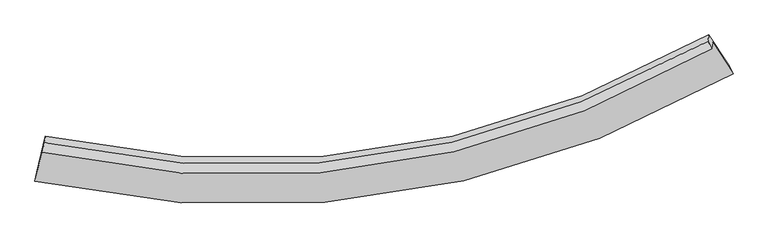
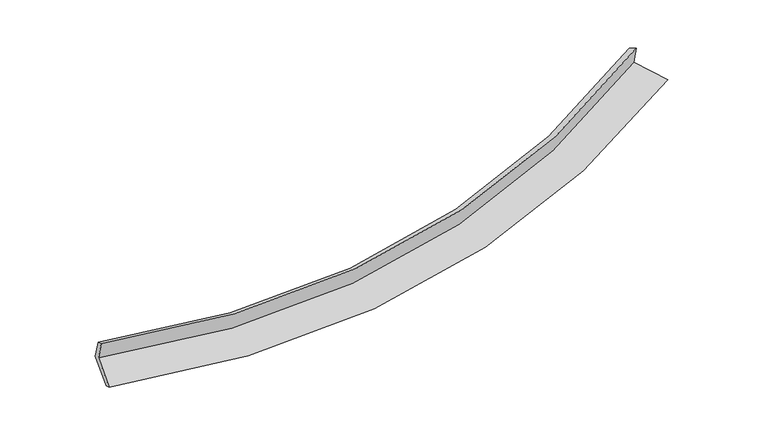
"""IFC4 building model written with IfcOpenShell, lengths in millimetres: proxy geometry."""

from ifc_helpers import new_model, si_unit, frame, origin, place, context, project, spatial, source, transform, mapped, element, save
from ifc_brep_helpers import plane_surface, spline_curve, spline_surface, advanced_brep


def generic_models_c7b09592(model_context):
    return source(origin(), model_context, "Body", "AdvancedBrep", [
        advanced_brep(
        [(-5637.5402089, -1983.7133109, 1557.0612801), (-5785.4341506, -2609.5033445, 1359.8469272), (6620.5011287, -703.8482303, 2440.0718457), (6256.2261629, -141.8703296, 2597.6427206), (-5652.2416787, -2098.1420663, 1931.1853328), (6241.2399857, -258.5151021, 2979.0120269), (-5616.0013923, -1927.6159567, 1849.9742489), (6175.8894921, -122.7052234, 2913.422568), (-5601.4247103, -1814.1584864, 1479.0258063), (6190.4297605, -9.5311778, 2543.4007807), (-5750.9226155, -2446.7354397, 1279.6725922), (6548.2379952, -561.5326588, 2388.6271568)],
        [
            (0, 1),
            (1, 2, spline_curve(3, [(-5785.4341506, -2609.5033445, 1359.8469272), (-4034.379965771, -2991.923191263, 1324.108234169), (-2318.376611237, -3117.621812647, 1361.047921894), (1859.204960409, -2791.998331088, 1633.475856423), (4278.513365703, -2031.081337991, 1956.611140932), (6620.5011287, -703.8482303, 2440.0718457)], [4, 2, 4], [0.0, 16.605540095735492, 41.2688623260907])),
            (2, 3),
            (3, 0, spline_curve(3, [(6256.2261629, -141.8703296, 2597.6427206), (4014.650791239, -1416.980988218, 2112.097960171), (1696.72053935, -2149.328268123, 1792.843741991), (-2309.610098052, -2466.556898236, 1536.891326379), (-3956.268637086, -2348.157279135, 1509.285064445), (-5637.5402089, -1983.7133109, 1557.0612801)], [4, 2, 4], [0.0, 24.663322230355206, 41.2688623260907])),
            (4, 0),
            (3, 5),
            (5, 4, spline_curve(3, [(6241.2399857, -258.5151021, 2979.0120269), (3999.281773994, -1536.605591192, 2503.209803757), (1681.231372474, -2269.888058549, 2187.013172624), (-2324.860755044, -2585.260245744, 1924.991129689), (-3971.304241412, -2465.186767337, 1891.912196164), (-5652.2416787, -2098.1420663, 1931.1853328)], [4, 2, 4], [0.0, 24.14917669243564, 40.408548325332866])),
            (6, 4),
            (5, 7),
            (7, 6, spline_curve(3, [(6175.8894921, -122.7052234, 2913.422568), (3951.56642591, -1377.854280582, 2421.601281126), (1652.70654923, -2097.772660103, 2097.09919931), (-2318.671686498, -2406.80853367, 1834.086842139), (-3950.44210473, -2288.527065602, 1804.106151265), (-5616.0013923, -1927.6159567, 1849.9742489)], [4, 2, 4], [0.0, 24.043554459559065, 40.23181181974593])),
            (8, 6),
            (7, 9),
            (9, 8, spline_curve(3, [(6190.4297605, -9.5311778, 2543.4007807), (3965.771727265, -1267.287447658, 2060.103757601), (1666.781403353, -1988.221159971, 1738.9213023), (-2304.472886887, -2296.292308103, 1472.754777909), (-3936.100720379, -2176.901031149, 1439.145575342), (-5601.4247103, -1814.1584864, 1479.0258063)], [4, 2, 4], [0.0, 23.937982555856184, 40.055159529404634])),
            (10, 8),
            (9, 11),
            (11, 10, spline_curve(3, [(6548.2379952, -561.5326588, 2388.6271568), (4227.368454374, -1863.277156238, 1888.095292098), (1829.2692286, -2611.503289646, 1554.670683055), (-2312.671062589, -2937.305627281, 1276.373708546), (-4014.292040285, -2817.480422055, 1240.146796034), (-5750.9226155, -2446.7354397, 1279.6725922)], [4, 2, 4], [0.0, 24.447926502213562, 40.90844305380933])),
            (1, 10),
            (11, 2),
        ],
        [
            spline_surface(3, 3, [[(-5637.5402089, -1983.7133109, 1557.0612801), (-3956.268637024, -2348.157278911, 1509.285064576), (-2309.610098181, -2466.556898465, 1536.891326423), (1696.720539541, -2149.328267782, 1792.843741926), (4014.650791327, -1416.980987841, 2112.097960254), (6256.2261629, -141.8703296, 2597.6427206)], [(-5686.838189488, -2192.309988745, 1491.323162462), (-3982.30574662, -2562.74591633, 1447.559454489), (-2312.532269223, -2683.578536575, 1478.276858338), (1750.882013216, -2363.551622106, 1739.721113291), (4102.604982844, -1621.681104496, 2060.269020513), (6377.651151503, -329.196296511, 2545.11909565)], [(-5736.136170012, -2400.906666655, 1425.585044838), (-4008.342856151, -2777.334553814, 1385.833844417), (-2315.454440286, -2900.600174732, 1419.662390251), (1805.04348687, -2577.774976476, 1686.598484653), (4190.559174354, -1826.381221117, 2008.440080722), (6499.076140097, -516.522263389, 2492.59547065)], [(-5785.4341506, -2609.5033445, 1359.8469272), (-4034.379965747, -2991.923191233, 1324.10823433), (-2318.376611328, -3117.621812841, 1361.047922166), (1859.204960544, -2791.9983308, 1633.475856018), (4278.513365872, -2031.081337771, 1956.611140981), (6620.5011287, -703.8482303, 2440.0718457)]], [4, 4], [4, 2, 4], [0.0, 2.2087121938316066], [0.0, 16.605540095735492, 41.2688623260907]),
            spline_surface(3, 3, [[(-5652.2416787, -2098.1420663, 1931.1853328), (-3971.304241346, -2465.18676729, 1891.912196412), (-2324.860754999, -2585.260246004, 1924.991129663), (1681.231372408, -2269.888058163, 2187.013172662), (3999.281774207, -1536.605591338, 2503.209804133), (6241.2399857, -258.5151021, 2979.0120269)], [(-5647.341188755, -2059.999147855, 1806.477315237), (-3966.292373227, -2426.176937852, 1764.369819137), (-2319.777202713, -2545.692463509, 1795.624528588), (1686.394428133, -2229.701461388, 2055.623362422), (4004.404779917, -1496.730723482, 2372.839189517), (6246.235378103, -219.633511243, 2851.88892481)], [(-5642.440698845, -2021.856229345, 1681.769297663), (-3961.280505143, -2387.167108348, 1636.827441851), (-2314.693650467, -2506.12468096, 1666.257927498), (1691.557483817, -2189.514864557, 1924.233552166), (4009.527785617, -1456.855855697, 2242.468574871), (6251.230770497, -180.751920457, 2724.76582269)], [(-5637.5402089, -1983.7133109, 1557.0612801), (-3956.268637024, -2348.157278911, 1509.285064576), (-2309.610098181, -2466.556898465, 1536.891326423), (1696.720539541, -2149.328267782, 1792.843741926), (4014.650791327, -1416.980987841, 2112.097960254), (6256.2261629, -141.8703296, 2597.6427206)]], [4, 4], [4, 2, 4], [0.0, 1.3451102276618117], [0.0, 16.259371632897228, 40.408548325332866]),
            spline_surface(3, 3, [[(-5616.0013923, -1927.6159567, 1849.9742489), (-3950.442104655, -2288.527065579, 1804.106151229), (-2318.6716865, -2406.808533863, 1834.086842354), (1652.706549233, -2097.772659817, 2097.09919899), (3951.566425901, -1377.854280439, 2421.601280886), (6175.8894921, -122.7052234, 2913.422568)], [(-5628.081487766, -1984.457993238, 1877.044610187), (-3957.396150218, -2347.413632821, 1833.374832944), (-2320.734709328, -2466.292437883, 1864.388271449), (1662.21482363, -2155.144459239, 2127.070523539), (3967.471542009, -1430.771384102, 2448.804121939), (6197.672989973, -167.975182997, 2935.285720937)], [(-5640.161583234, -2041.300029762, 1904.114971513), (-3964.350195783, -2406.300200048, 1862.643514697), (-2322.797732171, -2525.776341983, 1894.689700568), (1671.723098011, -2212.516258741, 2157.041848113), (3983.376658099, -1483.688487675, 2476.00696308), (6219.456487827, -213.245142503, 2957.148873963)], [(-5652.2416787, -2098.1420663, 1931.1853328), (-3971.304241346, -2465.18676729, 1891.912196412), (-2324.860754999, -2585.260246004, 1924.991129663), (1681.231372408, -2269.888058163, 2187.013172662), (3999.281774207, -1536.605591338, 2503.209804133), (6241.2399857, -258.5151021, 2979.0120269)]], [4, 4], [4, 2, 4], [0.0, 0.642670303507039], [0.0, 16.188257360186864, 40.23181181974593]),
            spline_surface(3, 3, [[(-5601.4247103, -1814.1584864, 1479.0258063), (-3936.100720125, -2176.901030974, 1439.145575423), (-2304.472886992, -2296.292307835, 1472.754778164), (1666.781403508, -1988.221160369, 1738.921301922), (3965.771727317, -1267.287447275, 2060.103757264), (6190.4297605, -9.5311778, 2543.4007807)], [(-5606.283604296, -1851.977643159, 1602.675287189), (-3940.881181631, -2214.109709167, 1560.799100714), (-2309.205820185, -2333.131049841, 1593.198799557), (1662.089785393, -2024.738326849, 1858.313934274), (3961.036626842, -1304.143058302, 2180.602931808), (6185.583004363, -47.255859639, 2666.74137647)], [(-5611.142498304, -1889.796799941, 1726.324768011), (-3945.661643149, -2251.318387385, 1682.452625938), (-2313.938753307, -2369.969791856, 1713.642820961), (1657.398167349, -2061.255493337, 1977.706566637), (3956.301526376, -1340.998669411, 2301.102106343), (6180.736248237, -84.980541561, 2790.08197223)], [(-5616.0013923, -1927.6159567, 1849.9742489), (-3950.442104655, -2288.527065579, 1804.106151229), (-2318.6716865, -2406.808533863, 1834.086842354), (1652.706549233, -2097.772659817, 2097.09919899), (3951.566425901, -1377.854280439, 2421.601280886), (6175.8894921, -122.7052234, 2913.422568)]], [4, 4], [4, 2, 4], [0.0, 1.2344595009115698], [0.0, 16.11717697354845, 40.055159529404634]),
            spline_surface(3, 3, [[(-5750.9226155, -2446.7354397, 1279.6725922), (-4014.292040092, -2817.480421829, 1240.14679628), (-2312.671062532, -2937.305627523, 1276.37370878), (1829.269228515, -2611.503289287, 1554.670682708), (4227.368454528, -1863.277156582, 1888.095291756), (6548.2379952, -561.5326588, 2388.6271568)], [(-5701.089980442, -2235.87645527, 1346.123663554), (-3988.228266779, -2603.953958214, 1306.479722648), (-2309.938337331, -2723.63452098, 1341.83406524), (1775.106620201, -2403.742579667, 1616.087555779), (4140.169545447, -1664.613920144, 1945.431446945), (6428.968583623, -377.532165132, 2440.218364786)], [(-5651.257345358, -2025.01747083, 1412.574734946), (-3962.164493438, -2390.427494589, 1372.812649055), (-2307.205612194, -2509.963414378, 1407.294421703), (1720.944011823, -2195.981869988, 1677.504428851), (4052.970636398, -1465.950683712, 2002.767602076), (6309.699172077, -193.531671468, 2491.809572714)], [(-5601.4247103, -1814.1584864, 1479.0258063), (-3936.100720125, -2176.901030974, 1439.145575423), (-2304.472886992, -2296.292307835, 1472.754778164), (1666.781403508, -1988.221160369, 1738.921301922), (3965.771727317, -1267.287447275, 2060.103757264), (6190.4297605, -9.5311778, 2543.4007807)]], [4, 4], [4, 2, 4], [0.0, 2.178472189514902], [0.0, 16.460516551595767, 40.90844305380933]),
            spline_surface(3, 3, [[(-5785.4341506, -2609.5033445, 1359.8469272), (-4034.379965747, -2991.923191233, 1324.10823433), (-2318.376611328, -3117.621812841, 1361.047922166), (1859.204960544, -2791.9983308, 1633.475856018), (4278.513365872, -2031.081337771, 1956.611140981), (6620.5011287, -703.8482303, 2440.0718457)], [(-5773.930305553, -2555.247376233, 1333.122148872), (-4027.683990515, -2933.775601431, 1296.121088319), (-2316.474761752, -3057.516417742, 1332.823184377), (1849.226383178, -2731.833316969, 1607.207464921), (4261.465062092, -1975.14661072, 1933.772524553), (6596.413417534, -656.409706478, 2422.923616047)], [(-5762.426460547, -2500.991407967, 1306.397370528), (-4020.988015325, -2875.628011631, 1268.133942292), (-2314.572912108, -2997.411022623, 1304.598446568), (1839.247805882, -2671.668303118, 1580.939073805), (4244.416758308, -1919.211883634, 1910.933908184), (6572.325706366, -608.971182622, 2405.775386453)], [(-5750.9226155, -2446.7354397, 1279.6725922), (-4014.292040092, -2817.480421829, 1240.14679628), (-2312.671062532, -2937.305627523, 1276.37370878), (1829.269228515, -2611.503289287, 1554.670682708), (4227.368454528, -1863.277156582, 1888.095291756), (6548.2379952, -561.5326588, 2388.6271568)]], [4, 4], [4, 2, 4], [0.0, 0.6475964431247074], [0.0, 16.877787884384922, 41.94546522148471]),
            plane_surface(frame((6338.7540875, -299.6671203, 2643.6961831), z_axis=(0.8474975256695716, 0.4973588714043397, 0.1854241004275209), x_axis=(-0.03755083493403911, -0.2922765785556174, 0.9555963250366645))),
            plane_surface(frame((-5673.9274594, -2146.6447674, 1576.1276979), z_axis=(-0.9748024204357784, 0.22113344811067, 0.029329835308668444), x_axis=(0.21988673427086175, 0.930416250800974, 0.29321566182104675))),
        ],
        [
            (0, [[1, 2, 3, 4]]),
            (1, [[5, -4, 6, 7]]),
            (2, [[8, -7, 9, 10]]),
            (3, [[11, -10, 12, 13]]),
            (4, [[14, -13, 15, 16]]),
            (5, [[17, -16, 18, -2]]),
            (6, [[-12, -9, -6, -3, -18, -15]]),
            (7, [[-1, -5, -8, -11, -14, -17]]),
        ],
    ),
    ])


if __name__ == "__main__":
    model = new_model("IFC4")
    model_context = context("Model", 3, world=origin())
    ifc_project = project(units=[si_unit("LENGTHUNIT", "METRE", prefix="MILLI")], contexts=[model_context])
    site = spatial("IfcSite", under=ifc_project)
    building = spatial("IfcBuilding", under=site)
    placement = place(None, origin())
    generic_models_shape = generic_models_c7b09592(model_context)
    element("IfcBuildingElementProxy", 1, Name="Generic Models", at=placement, inside=building, context=model_context, shape_type="MappedRepresentation", body=[
        mapped(generic_models_shape, transform((0.0, 0.0, 0.0), x_axis=(1.0, 0.0, 0.0), y_axis=(0.0, 1.0, 0.0), z_axis=(0.0, 0.0, 1.0))),
    ])
    save(model, "model.ifc")
